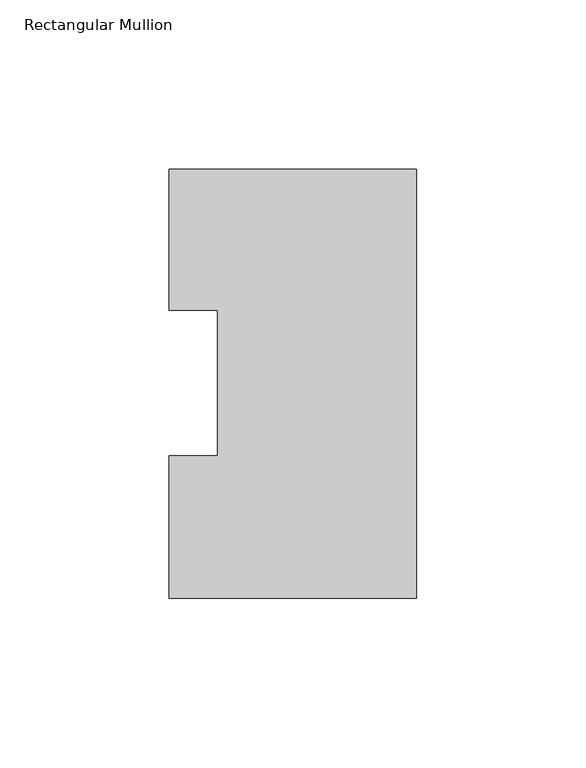
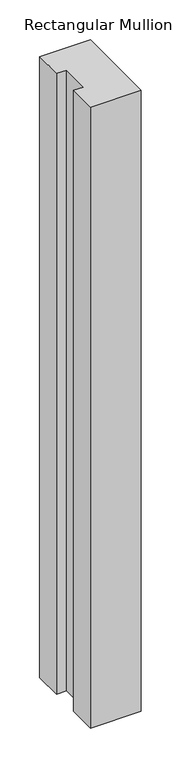
"""IFC4 building model written with IfcOpenShell, lengths in millimetres: member geometry, Rectangular Mullion."""

from ifc_helpers import new_model, si_unit, frame, origin, place, context, project, spatial, polyline, outline, extrude, source, transform, mapped, element, save


def rectangular_mullion_2ac6eaf7(model_context):
    return source(origin(), model_context, "Body", "SweptSolid", [
        extrude(outline(polyline([(0.0, 126.7348875), (0.0, 0.2428875), (-73.025, 0.2428875), (-73.025, 42.2798875), (-58.7375, 42.2798875), (-58.7375, 85.1296875), (-73.025, 85.1296875), (-73.025, 126.7348875), (0.0, 126.7348875)])), frame((0.0, 0.0, -947.708925), z_axis=(0.0, 0.0, 1.0), x_axis=(1.0, 0.0, 0.0)), (0.0, 0.0, 1.0), 947.708925),
    ])


if __name__ == "__main__":
    model = new_model("IFC4")
    model_context = context("Model", 3, world=origin())
    ifc_project = project(units=[si_unit("LENGTHUNIT", "METRE", prefix="MILLI")], contexts=[model_context])
    site = spatial("IfcSite", under=ifc_project)
    building = spatial("IfcBuilding", under=site)
    placement = place(None, origin())
    rectangular_mullion_shape = rectangular_mullion_2ac6eaf7(model_context)
    element("IfcMember", 1, ObjectType="Rectangular Mullion", at=placement, inside=building, context=model_context, shape_type="MappedRepresentation", body=[
        mapped(rectangular_mullion_shape, transform((0.0, 0.0, 0.0), x_axis=(1.0, 0.0, 0.0), y_axis=(0.0, 1.0, 0.0), z_axis=(0.0, 0.0, 1.0))),
    ])
    save(model, "model.ifc")
